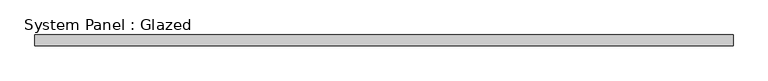
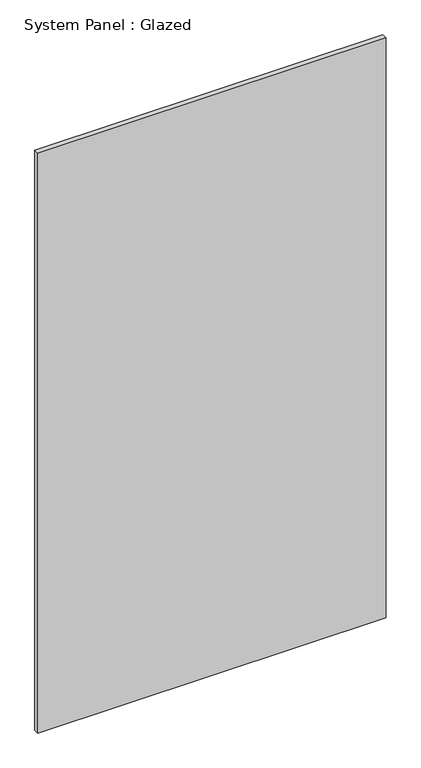
"""IFC4 building model written with IfcOpenShell, lengths in millimetres: plate geometry, System Panel : Glazed."""

from ifc_helpers import new_model, si_unit, origin, origin_with_axes, place, context, project, spatial, polyline, outline, extrude, source, transform, mapped, element, save


def system_panel_glazed_4a9f65bf(model_context):
    return source(origin(), model_context, "Body", "SweptSolid", [
        extrude(outline(polyline([(827.058248, 19.05), (-827.058248, 19.05), (-827.058248, 44.45), (827.058248, 44.45), (827.058248, 19.05)])), origin_with_axes(), (0.0, 0.0, 1.0), 2913.0),
    ])


if __name__ == "__main__":
    model = new_model("IFC4")
    model_context = context("Model", 3, world=origin())
    ifc_project = project(units=[si_unit("LENGTHUNIT", "METRE", prefix="MILLI")], contexts=[model_context])
    site = spatial("IfcSite", under=ifc_project)
    building = spatial("IfcBuilding", under=site)
    placement = place(None, origin())
    system_panel_glazed_shape = system_panel_glazed_4a9f65bf(model_context)
    element("IfcPlate", 1, ObjectType="System Panel : Glazed", at=placement, inside=building, context=model_context, shape_type="MappedRepresentation", body=[
        mapped(system_panel_glazed_shape, transform((0.0, 0.0, 0.0), x_axis=(1.0, 0.0, 0.0), y_axis=(0.0, 1.0, 0.0), z_axis=(0.0, 0.0, 1.0))),
    ])
    save(model, "model.ifc")
